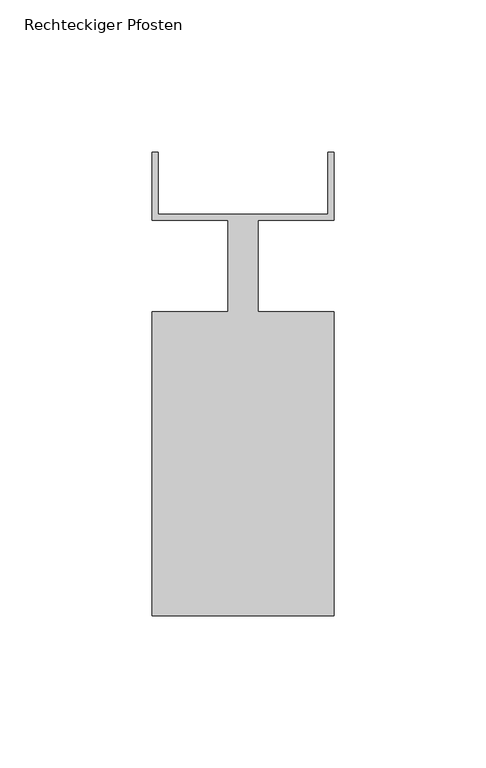
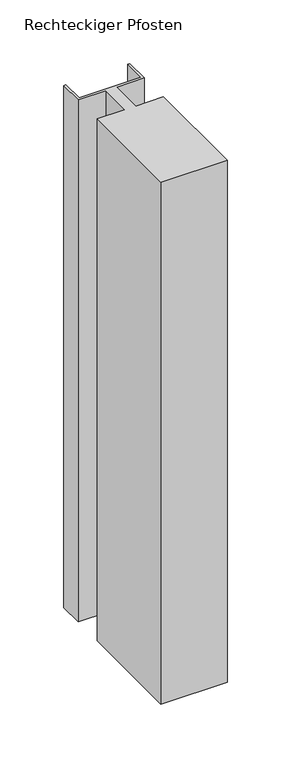
"""IFC4 building model written with IfcOpenShell, lengths in millimetres: member geometry, Rechteckiger Pfosten."""

from ifc_helpers import new_model, si_unit, frame, origin, place, context, project, spatial, polyline, outline, extrude, source, transform, mapped, element, save


def rechteckiger_pfosten_968b02e3(model_context):
    return source(origin(), model_context, "Body", "SweptSolid", [
        extrude(outline(polyline([(-2.0, 37.5), (0.0, 37.5), (0.0, 15.0), (-25.0, 15.0), (-25.0, -15.0), (0.0, -15.0), (0.0, -115.0), (-60.0, -115.0), (-60.0, -15.0), (-35.0, -15.0), (-35.0, 15.0), (-60.0, 15.0), (-60.0, 37.5), (-58.0, 37.5), (-58.0, 17.0), (-2.0, 17.0), (-2.0, 37.5)])), frame((0.0, 0.0, -500.0), z_axis=(0.0, 0.0, 1.0), x_axis=(1.0, 0.0, 0.0)), (0.0, 0.0, 1.0), 500.0),
    ])


if __name__ == "__main__":
    model = new_model("IFC4")
    model_context = context("Model", 3, world=origin())
    ifc_project = project(units=[si_unit("LENGTHUNIT", "METRE", prefix="MILLI")], contexts=[model_context])
    site = spatial("IfcSite", under=ifc_project)
    building = spatial("IfcBuilding", under=site)
    placement = place(None, origin())
    rechteckiger_pfosten_shape = rechteckiger_pfosten_968b02e3(model_context)
    element("IfcMember", 1, ObjectType="Rechteckiger Pfosten", at=placement, inside=building, context=model_context, shape_type="MappedRepresentation", body=[
        mapped(rechteckiger_pfosten_shape, transform((0.0, 0.0, 0.0), x_axis=(1.0, 0.0, 0.0), y_axis=(0.0, 1.0, 0.0), z_axis=(0.0, 0.0, 1.0))),
    ])
    save(model, "model.ifc")
